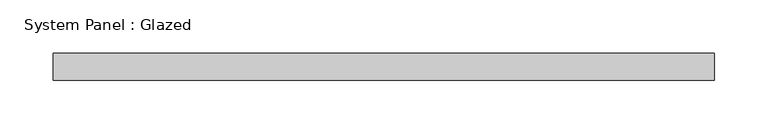
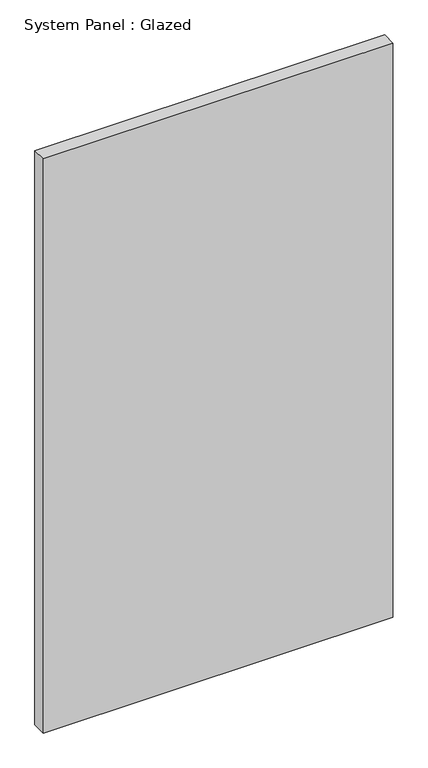
"""IFC4 building model written with IfcOpenShell, lengths in millimetres: plate geometry, System Panel : Glazed."""

from ifc_helpers import new_model, si_unit, origin, origin_with_axes, place, context, project, spatial, polyline, outline, extrude, source, transform, mapped, element, save


def system_panel_glazed_ba70663b(model_context):
    return source(origin(), model_context, "Body", "SweptSolid", [
        extrude(outline(polyline([(311.15, -12.7), (-311.15, -12.7), (-311.15, 12.7), (311.15, 12.7), (311.15, -12.7)])), origin_with_axes(), (0.0, 0.0, 1.0), 1080.0),
    ])


if __name__ == "__main__":
    model = new_model("IFC4")
    model_context = context("Model", 3, world=origin())
    ifc_project = project(units=[si_unit("LENGTHUNIT", "METRE", prefix="MILLI")], contexts=[model_context])
    site = spatial("IfcSite", under=ifc_project)
    building = spatial("IfcBuilding", under=site)
    placement = place(None, origin())
    system_panel_glazed_shape = system_panel_glazed_ba70663b(model_context)
    element("IfcPlate", 1, ObjectType="System Panel : Glazed", at=placement, inside=building, context=model_context, shape_type="MappedRepresentation", body=[
        mapped(system_panel_glazed_shape, transform((0.0, 0.0, 0.0), x_axis=(1.0, 0.0, 0.0), y_axis=(0.0, 1.0, 0.0), z_axis=(0.0, 0.0, 1.0))),
    ])
    save(model, "model.ifc")
